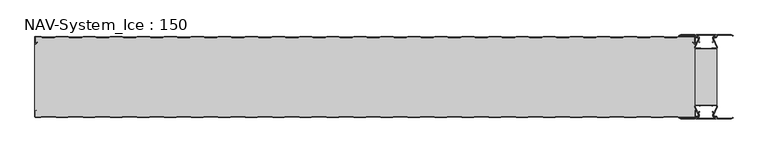
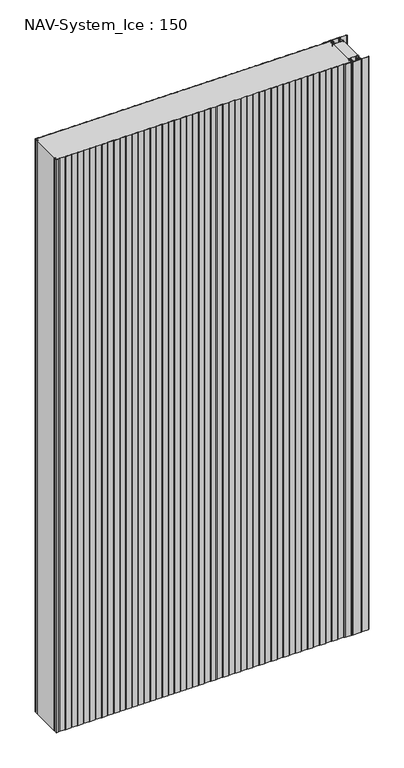
"""IFC4 building model written with IfcOpenShell, lengths in millimetres: plate geometry, NAV-System_Ice : 150."""

from ifc_helpers import new_model, si_unit, point, frame_2d, origin, origin_with_axes, place, context, project, spatial, polyline, circle_curve, trimmed, segment, composite_curve, outline, extrude, source, transform, mapped, element, save


def nav_system_ice_150_1222b947(model_context):
    return source(origin(), model_context, "Body", "SweptSolid", [
        extrude(outline(polyline([(630.0, -126.9693935), (590.0, -126.9693935), (590.0, -23.0306065), (630.0, -23.0306065), (630.0, -126.9693935)])), origin_with_axes(), (0.0, 0.0, 1.0), 2500.0),
        extrude(outline(composite_curve([segment(trimmed(circle_curve(frame_2d((599.1138734, -141.8417863)), 3.357884), [point((596.1169606, -143.3563483))], [point((597.7243711, -138.7848813))], False, "CARTESIAN"), True, "CONTINUOUS"), segment(polyline([(597.7243711, -138.7848813), (598.0554135, -139.5131744)]), True, "CONTINUOUS"), segment(trimmed(circle_curve(frame_2d((599.1138734, -141.8417863)), 2.557884), [point((598.0554135, -139.5131744))], [point((596.8448746, -143.0226397))], True, "CARTESIAN"), True, "CONTINUOUS"), segment(polyline([(596.8448746, -143.0226397), (597.7376807, -145.2182139)]), True, "CONTINUOUS"), segment(trimmed(circle_curve(frame_2d((593.7962884, -146.3456266)), 4.0994674), [point((597.7376807, -145.2182139))], [point((593.7866434, -150.4450826))], False, "CARTESIAN"), True, "CONTINUOUS"), segment(polyline([(593.7866434, -150.4450826), (592.2194901, -150.4092333)]), True, "CONTINUOUS"), segment(trimmed(circle_curve(frame_2d((592.2592624, -151.3027113)), 0.8943628), [point((592.2194901, -150.4092333))], [point((592.2592624, -152.1970741))], True, "CARTESIAN"), True, "CONTINUOUS"), segment(polyline([(592.2592624, -152.1970741), (627.7407376, -152.1970741)]), True, "CONTINUOUS"), segment(trimmed(circle_curve(frame_2d((627.7407376, -151.3027113)), 0.8943628), [point((627.7407376, -152.1970741))], [point((627.7805099, -150.4092333))], True, "CARTESIAN"), True, "CONTINUOUS"), segment(polyline([(627.7805099, -150.4092333), (626.2133566, -150.4450826)]), True, "CONTINUOUS"), segment(trimmed(circle_curve(frame_2d((626.2037116, -146.3456266)), 4.0994674), [point((626.2133566, -150.4450826))], [point((622.2623193, -145.2182139))], False, "CARTESIAN"), True, "CONTINUOUS"), segment(polyline([(622.2623193, -145.2182139), (623.1551254, -143.0226397)]), True, "CONTINUOUS"), segment(trimmed(circle_curve(frame_2d((620.8861266, -141.8417863)), 2.557884), [point((623.1551254, -143.0226397))], [point((621.9445865, -139.5131744))], True, "CARTESIAN"), True, "CONTINUOUS"), segment(polyline([(621.9445865, -139.5131744), (622.2756289, -138.7848813)]), True, "CONTINUOUS"), segment(trimmed(circle_curve(frame_2d((620.8861266, -141.8417863)), 3.357884), [point((622.2756289, -138.7848813))], [point((623.8830394, -143.3563483))], False, "CARTESIAN"), True, "CONTINUOUS"), segment(polyline([(623.8830394, -143.3563483), (623.0205049, -145.4774793)]), True, "CONTINUOUS"), segment(trimmed(circle_curve(frame_2d((626.2037116, -146.3456266)), 3.2994674), [point((623.0205049, -145.4774793))], [point((626.2037116, -149.645094))], True, "CARTESIAN"), True, "CONTINUOUS"), segment(polyline([(626.2037116, -149.645094), (627.7848884, -149.6089239)]), True, "CONTINUOUS"), segment(trimmed(circle_curve(frame_2d((627.7407376, -151.3027113)), 1.6943628), [point((627.7848884, -149.6089239))], [point((627.7407423, -152.9970741))], False, "CARTESIAN"), True, "CONTINUOUS"), segment(polyline([(627.7407423, -152.9970741), (592.2592577, -152.9970741)]), True, "CONTINUOUS"), segment(trimmed(circle_curve(frame_2d((592.2592624, -151.3027113)), 1.6943628), [point((592.2592577, -152.9970741))], [point((592.2151116, -149.6089239))], False, "CARTESIAN"), True, "CONTINUOUS"), segment(polyline([(592.2151116, -149.6089239), (593.7962884, -149.645094)]), True, "CONTINUOUS"), segment(trimmed(circle_curve(frame_2d((593.7962884, -146.3456266)), 3.2994674), [point((593.7962884, -149.645094))], [point((596.9794951, -145.4774793))], True, "CARTESIAN"), True, "CONTINUOUS"), segment(polyline([(596.9794951, -145.4774793), (596.1169606, -143.3563483)]), True, "CONTINUOUS")], self_intersect=False)), origin_with_axes(), (0.0, 0.0, 1.0), 2500.0),
        extrude(outline(composite_curve([segment(polyline([(596.1169606, -6.6436517), (596.9794951, -4.5225207)]), True, "CONTINUOUS"), segment(trimmed(circle_curve(frame_2d((593.7962884, -3.6543734)), 3.2994674), [point((596.9794951, -4.5225207))], [point((593.7962884, -0.354906))], True, "CARTESIAN"), True, "CONTINUOUS"), segment(polyline([(593.7962884, -0.354906), (592.2151116, -0.3910761)]), True, "CONTINUOUS"), segment(trimmed(circle_curve(frame_2d((592.2592624, 1.3027113)), 1.6943628), [point((592.2151116, -0.3910761))], [point((592.2592577, 2.9970741))], False, "CARTESIAN"), True, "CONTINUOUS"), segment(polyline([(592.2592577, 2.9970741), (627.7407423, 2.9970741)]), True, "CONTINUOUS"), segment(trimmed(circle_curve(frame_2d((627.7407376, 1.3027113)), 1.6943628), [point((627.7407423, 2.9970741))], [point((627.7848884, -0.3910761))], False, "CARTESIAN"), True, "CONTINUOUS"), segment(polyline([(627.7848884, -0.3910761), (626.2037116, -0.354906)]), True, "CONTINUOUS"), segment(trimmed(circle_curve(frame_2d((626.2037116, -3.6543734)), 3.2994674), [point((626.2037116, -0.354906))], [point((623.0205049, -4.5225207))], True, "CARTESIAN"), True, "CONTINUOUS"), segment(polyline([(623.0205049, -4.5225207), (623.8830394, -6.6436517)]), True, "CONTINUOUS"), segment(trimmed(circle_curve(frame_2d((620.8861266, -8.1582137)), 3.357884), [point((623.8830394, -6.6436517))], [point((622.2756289, -11.2151187))], False, "CARTESIAN"), True, "CONTINUOUS"), segment(polyline([(622.2756289, -11.2151187), (621.9445865, -10.4868256)]), True, "CONTINUOUS"), segment(trimmed(circle_curve(frame_2d((620.8861266, -8.1582137)), 2.557884), [point((621.9445865, -10.4868256))], [point((623.1551254, -6.9773603))], True, "CARTESIAN"), True, "CONTINUOUS"), segment(polyline([(623.1551254, -6.9773603), (622.2623193, -4.7817861)]), True, "CONTINUOUS"), segment(trimmed(circle_curve(frame_2d((626.2037116, -3.6543734)), 4.0994674), [point((622.2623193, -4.7817861))], [point((626.2133566, 0.4450826))], False, "CARTESIAN"), True, "CONTINUOUS"), segment(polyline([(626.2133566, 0.4450826), (627.7805099, 0.4092333)]), True, "CONTINUOUS"), segment(trimmed(circle_curve(frame_2d((627.7407376, 1.3027113)), 0.8943628), [point((627.7805099, 0.4092333))], [point((627.7407376, 2.1970741))], True, "CARTESIAN"), True, "CONTINUOUS"), segment(polyline([(627.7407376, 2.1970741), (592.2592624, 2.1970741)]), True, "CONTINUOUS"), segment(trimmed(circle_curve(frame_2d((592.2592624, 1.3027113)), 0.8943628), [point((592.2592624, 2.1970741))], [point((592.2194901, 0.4092333))], True, "CARTESIAN"), True, "CONTINUOUS"), segment(polyline([(592.2194901, 0.4092333), (593.7866434, 0.4450826)]), True, "CONTINUOUS"), segment(trimmed(circle_curve(frame_2d((593.7962884, -3.6543734)), 4.0994674), [point((593.7866434, 0.4450826))], [point((597.7376807, -4.7817861))], False, "CARTESIAN"), True, "CONTINUOUS"), segment(polyline([(597.7376807, -4.7817861), (596.8448746, -6.9773603)]), True, "CONTINUOUS"), segment(trimmed(circle_curve(frame_2d((599.1138734, -8.1582137)), 2.557884), [point((596.8448746, -6.9773603))], [point((598.0554135, -10.4868256))], True, "CARTESIAN"), True, "CONTINUOUS"), segment(polyline([(598.0554135, -10.4868256), (597.7243711, -11.2151187)]), True, "CONTINUOUS"), segment(trimmed(circle_curve(frame_2d((599.1138734, -8.1582137)), 3.357884), [point((597.7243711, -11.2151187))], [point((596.1169606, -6.6436517))], False, "CARTESIAN"), True, "CONTINUOUS")], self_intersect=False)), origin_with_axes(), (0.0, 0.0, 1.0), 2500.0),
        extrude(outline(composite_curve([segment(trimmed(circle_curve(frame_2d((591.9446371, -129.7746821)), 1.80576), [point((591.9446371, -127.9689221))], [point((590.2170288, -130.300171))], True, "CARTESIAN"), True, "CONTINUOUS"), segment(polyline([(590.2170288, -130.300171), (596.4690067, -144.9459892)]), True, "CONTINUOUS"), segment(trimmed(circle_curve(frame_2d((593.7254406, -145.9868127)), 2.93436), [point((596.4690067, -144.9459892))], [point((593.7254406, -148.9211727))], False, "CARTESIAN"), True, "CONTINUOUS"), segment(polyline([(593.7254406, -148.9211727), (592.1347887, -148.9211727)]), True, "CONTINUOUS"), segment(trimmed(circle_curve(frame_2d((592.1347887, -150.5012127)), 1.58004), [point((592.1347887, -148.9211727))], [point((590.931072, -149.4776931))], True, "CARTESIAN"), True, "CONTINUOUS"), segment(polyline([(590.931072, -149.4776931), (589.0191946, -153.0112573), (562.9417977, -153.0112573), (560.0, -151.2043676), (560.523373, -150.3522639), (563.2243806, -152.0112573), (588.4232658, -152.0112573), (590.0952671, -148.9210361)]), True, "CONTINUOUS"), segment(trimmed(circle_curve(frame_2d((592.1347887, -150.5012127)), 2.58004), [point((590.0952671, -148.9210361))], [point((592.1347887, -147.9211727))], False, "CARTESIAN"), True, "CONTINUOUS"), segment(polyline([(592.1347887, -147.9211727), (593.7254406, -147.9211727)]), True, "CONTINUOUS"), segment(trimmed(circle_curve(frame_2d((593.7254406, -145.9868127)), 1.93436), [point((593.7254406, -147.9211727))], [point((595.5404425, -145.3178459))], True, "CARTESIAN"), True, "CONTINUOUS"), segment(polyline([(595.5404425, -145.3178459), (589.2784311, -130.6484726)]), True, "CONTINUOUS"), segment(trimmed(circle_curve(frame_2d((591.9446225, -129.7747413)), 2.8057055), [point((589.2784311, -130.6484726))], [point((591.9446225, -126.9690357))], False, "CARTESIAN"), True, "CONTINUOUS"), segment(polyline([(591.9446225, -126.9690357), (595.755568, -126.9690357)]), True, "CONTINUOUS"), segment(trimmed(circle_curve(frame_2d((595.7555679, -129.0975873)), 2.1285516), [point((595.755568, -126.9690357))], [point((597.1042828, -127.4508633))], False, "CARTESIAN"), True, "CONTINUOUS"), segment(trimmed(circle_curve(frame_2d((598.2552034, -126.0456377)), 1.8163913), [point((597.1042828, -127.4508633))], [point((599.4059468, -127.4510085))], True, "CARTESIAN"), True, "CONTINUOUS"), segment(trimmed(circle_curve(frame_2d((600.7543352, -129.0977575)), 2.128364), [point((599.4059468, -127.4510085))], [point((600.7543352, -126.9693935))], False, "CARTESIAN"), True, "CONTINUOUS"), segment(polyline([(600.7543352, -126.9693935), (619.2454674, -126.9693935)]), True, "CONTINUOUS"), segment(trimmed(circle_curve(frame_2d((619.2454674, -129.0977884)), 2.1283949), [point((619.2454674, -126.9693935))], [point((620.594293, -127.4513576))], False, "CARTESIAN"), True, "CONTINUOUS"), segment(trimmed(circle_curve(frame_2d((621.7456338, -126.0459847)), 1.8167715), [point((620.594293, -127.4513576))], [point((622.8963798, -127.4518446))], True, "CARTESIAN"), True, "CONTINUOUS"), segment(trimmed(circle_curve(frame_2d((624.244105, -129.0983528)), 2.1277576), [point((622.8963798, -127.4518446))], [point((624.244105, -126.9705952))], False, "CARTESIAN"), True, "CONTINUOUS"), segment(polyline([(624.244105, -126.9705952), (628.0535675, -126.9705952)]), True, "CONTINUOUS"), segment(trimmed(circle_curve(frame_2d((628.0535675, -129.7787791)), 2.8081839), [point((628.0535675, -126.9705952))], [point((630.7287795, -130.6326746))], False, "CARTESIAN"), True, "CONTINUOUS"), segment(polyline([(630.7287795, -130.6326746), (624.4595575, -145.3178459)]), True, "CONTINUOUS"), segment(trimmed(circle_curve(frame_2d((626.2745595, -145.9868127)), 1.93436), [point((624.4595575, -145.3178459))], [point((626.2745595, -147.9211727))], True, "CARTESIAN"), True, "CONTINUOUS"), segment(polyline([(626.2745595, -147.9211727), (627.8652113, -147.9211727)]), True, "CONTINUOUS"), segment(trimmed(circle_curve(frame_2d((627.8652113, -150.5012127)), 2.58004), [point((627.8652113, -147.9211727))], [point((629.9047329, -148.9210361))], False, "CARTESIAN"), True, "CONTINUOUS"), segment(polyline([(629.9047329, -148.9210361), (631.5767342, -152.0112573), (656.7756194, -152.0112573), (659.476627, -150.3522639), (660.0, -151.2043676), (657.0582024, -153.0112573), (630.9808054, -153.0112573), (629.068928, -149.4776931)]), True, "CONTINUOUS"), segment(trimmed(circle_curve(frame_2d((627.8652113, -150.5012127)), 1.58004), [point((629.068928, -149.4776931))], [point((627.8652113, -148.9211727))], True, "CARTESIAN"), True, "CONTINUOUS"), segment(polyline([(627.8652113, -148.9211727), (626.2745595, -148.9211727)]), True, "CONTINUOUS"), segment(trimmed(circle_curve(frame_2d((626.2745595, -145.9868127)), 2.93436), [point((626.2745595, -148.9211727))], [point((623.5309933, -144.9459892))], False, "CARTESIAN"), True, "CONTINUOUS"), segment(polyline([(623.5309933, -144.9459892), (629.7829713, -130.300171)]), True, "CONTINUOUS"), segment(trimmed(circle_curve(frame_2d((628.0553629, -129.7746822)), 1.80576), [point((629.7829713, -130.300171))], [point((628.0553629, -127.9689222))], True, "CARTESIAN"), True, "CONTINUOUS"), segment(polyline([(628.0553629, -127.9689222), (623.5184731, -127.9689222)]), True, "CONTINUOUS"), segment(trimmed(circle_curve(frame_2d((621.7449981, -126.0455076)), 2.6162449), [point((623.5184731, -127.9689222))], [point((619.7766029, -127.7689222))], False, "CARTESIAN"), True, "CONTINUOUS"), segment(polyline([(619.7766029, -127.7689222), (600.2233971, -127.7689222)]), True, "CONTINUOUS"), segment(trimmed(circle_curve(frame_2d((598.255002, -126.0455076)), 2.6162449), [point((600.2233971, -127.7689222))], [point((596.4815269, -127.9689221))], False, "CARTESIAN"), True, "CONTINUOUS"), segment(polyline([(596.4815269, -127.9689221), (591.9446371, -127.9689221)]), True, "CONTINUOUS")], self_intersect=False)), origin_with_axes(), (0.0, 0.0, 1.0), 2500.0),
        extrude(outline(composite_curve([segment(polyline([(591.9446371, -22.0310778), (596.4815269, -22.0310778)]), True, "CONTINUOUS"), segment(trimmed(circle_curve(frame_2d((598.2550019, -23.9544924)), 2.6162449), [point((596.4815269, -22.0310778))], [point((600.2233971, -22.2310778))], False, "CARTESIAN"), True, "CONTINUOUS"), segment(polyline([(600.2233971, -22.2310778), (619.7766029, -22.2310778)]), True, "CONTINUOUS"), segment(trimmed(circle_curve(frame_2d((621.7449981, -23.9544924)), 2.6162449), [point((619.7766029, -22.2310778))], [point((623.5184731, -22.0310778))], False, "CARTESIAN"), True, "CONTINUOUS"), segment(polyline([(623.5184731, -22.0310778), (628.0553629, -22.0310778)]), True, "CONTINUOUS"), segment(trimmed(circle_curve(frame_2d((628.0553629, -20.2253178)), 1.80576), [point((628.0553629, -22.0310778))], [point((629.7829712, -19.699829))], True, "CARTESIAN"), True, "CONTINUOUS"), segment(polyline([(629.7829712, -19.699829), (623.5309933, -5.0540108)]), True, "CONTINUOUS"), segment(trimmed(circle_curve(frame_2d((626.2745594, -4.0131873)), 2.93436), [point((623.5309933, -5.0540108))], [point((626.2745594, -1.0788273))], False, "CARTESIAN"), True, "CONTINUOUS"), segment(polyline([(626.2745594, -1.0788273), (627.8652113, -1.0788273)]), True, "CONTINUOUS"), segment(trimmed(circle_curve(frame_2d((627.8652113, 0.5012127)), 1.58004), [point((627.8652113, -1.0788273))], [point((629.068928, -0.5223069))], True, "CARTESIAN"), True, "CONTINUOUS"), segment(polyline([(629.068928, -0.5223069), (630.9808054, 3.0112573), (657.0582023, 3.0112573), (660.0, 1.2043676), (659.476627, 0.3522639), (656.7756194, 2.0112573), (631.5767342, 2.0112573), (629.9047329, -1.0789639)]), True, "CONTINUOUS"), segment(trimmed(circle_curve(frame_2d((627.8652113, 0.5012127)), 2.58004), [point((629.9047329, -1.0789639))], [point((627.8652113, -2.0788273))], False, "CARTESIAN"), True, "CONTINUOUS"), segment(polyline([(627.8652113, -2.0788273), (626.2745594, -2.0788273)]), True, "CONTINUOUS"), segment(trimmed(circle_curve(frame_2d((626.2745594, -4.0131873)), 1.93436), [point((626.2745594, -2.0788273))], [point((624.4595575, -4.6821541))], True, "CARTESIAN"), True, "CONTINUOUS"), segment(polyline([(624.4595575, -4.6821541), (630.7287795, -19.3673254)]), True, "CONTINUOUS"), segment(trimmed(circle_curve(frame_2d((628.0535675, -20.2212209)), 2.8081839), [point((630.7287795, -19.3673254))], [point((628.0535675, -23.0294048))], False, "CARTESIAN"), True, "CONTINUOUS"), segment(polyline([(628.0535675, -23.0294048), (624.244105, -23.0294048)]), True, "CONTINUOUS"), segment(trimmed(circle_curve(frame_2d((624.244105, -20.9016472)), 2.1277576), [point((624.244105, -23.0294048))], [point((622.8963798, -22.5481554))], False, "CARTESIAN"), True, "CONTINUOUS"), segment(trimmed(circle_curve(frame_2d((621.7456337, -23.9540153)), 1.8167716), [point((622.8963798, -22.5481554))], [point((620.5942929, -22.5486423))], True, "CARTESIAN"), True, "CONTINUOUS"), segment(trimmed(circle_curve(frame_2d((619.2454674, -20.9022116)), 2.1283949), [point((620.5942929, -22.5486423))], [point((619.2454674, -23.0306065))], False, "CARTESIAN"), True, "CONTINUOUS"), segment(polyline([(619.2454674, -23.0306065), (600.7543352, -23.0306065)]), True, "CONTINUOUS"), segment(trimmed(circle_curve(frame_2d((600.7543352, -20.9022425)), 2.128364), [point((600.7543352, -23.0306065))], [point((599.4059468, -22.5489915))], False, "CARTESIAN"), True, "CONTINUOUS"), segment(trimmed(circle_curve(frame_2d((598.2552034, -23.9543623)), 1.8163912), [point((599.4059468, -22.5489915))], [point((597.1042828, -22.5491367))], True, "CARTESIAN"), True, "CONTINUOUS"), segment(trimmed(circle_curve(frame_2d((595.7555679, -20.9024127)), 2.1285516), [point((597.1042828, -22.5491367))], [point((595.7555679, -23.0309643))], False, "CARTESIAN"), True, "CONTINUOUS"), segment(polyline([(595.7555679, -23.0309643), (591.9446225, -23.0309643)]), True, "CONTINUOUS"), segment(trimmed(circle_curve(frame_2d((591.9446225, -20.2252587)), 2.8057055), [point((591.9446225, -23.0309643))], [point((589.2784311, -19.3515274))], False, "CARTESIAN"), True, "CONTINUOUS"), segment(polyline([(589.2784311, -19.3515274), (595.5404425, -4.6821541)]), True, "CONTINUOUS"), segment(trimmed(circle_curve(frame_2d((593.7254406, -4.0131873)), 1.93436), [point((595.5404425, -4.6821541))], [point((593.7254406, -2.0788273))], True, "CARTESIAN"), True, "CONTINUOUS"), segment(polyline([(593.7254406, -2.0788273), (592.1347887, -2.0788273)]), True, "CONTINUOUS"), segment(trimmed(circle_curve(frame_2d((592.1347887, 0.5012127)), 2.58004), [point((592.1347887, -2.0788273))], [point((590.0952671, -1.0789639))], False, "CARTESIAN"), True, "CONTINUOUS"), segment(polyline([(590.0952671, -1.0789639), (588.4232658, 2.0112573), (563.2243806, 2.0112573), (560.523373, 0.3522639), (560.0, 1.2043676), (562.9417977, 3.0112573), (589.0191946, 3.0112573), (590.931072, -0.5223069)]), True, "CONTINUOUS"), segment(trimmed(circle_curve(frame_2d((592.1347887, 0.5012127)), 1.58004), [point((590.931072, -0.5223069))], [point((592.1347887, -1.0788273))], True, "CARTESIAN"), True, "CONTINUOUS"), segment(polyline([(592.1347887, -1.0788273), (593.7254406, -1.0788273)]), True, "CONTINUOUS"), segment(trimmed(circle_curve(frame_2d((593.7254406, -4.0131873)), 2.93436), [point((593.7254406, -1.0788273))], [point((596.4690067, -5.0540108))], False, "CARTESIAN"), True, "CONTINUOUS"), segment(polyline([(596.4690067, -5.0540108), (590.2170288, -19.699829)]), True, "CONTINUOUS"), segment(trimmed(circle_curve(frame_2d((591.9446371, -20.2253178)), 1.80576), [point((590.2170288, -19.699829))], [point((591.9446371, -22.0310778))], True, "CARTESIAN"), True, "CONTINUOUS")], self_intersect=False)), origin_with_axes(), (0.0, 0.0, 1.0), 2500.0),
        extrude(outline(composite_curve([segment(polyline([(559.1298221, -0.8), (556.1298221, -1.8), (533.8701779, -1.8), (530.8701779, -0.8), (509.1298221, -0.8), (506.1298221, -1.8), (483.8701779, -1.8), (480.8701779, -0.8), (459.1298221, -0.8), (456.1298221, -1.8), (433.8701779, -1.8), (430.8701779, -0.8), (409.1298221, -0.8), (406.1298221, -1.8), (383.8701779, -1.8), (380.8701779, -0.8), (359.1298221, -0.8), (356.1298221, -1.8), (333.8701779, -1.8), (330.8701779, -0.8), (309.1298221, -0.8), (306.1298221, -1.8), (283.8701779, -1.8), (280.8701779, -0.8), (259.1298221, -0.8), (256.1298221, -1.8), (233.8701779, -1.8), (230.8701779, -0.8), (209.1298221, -0.8), (206.1298221, -1.8), (183.8701779, -1.8), (180.8701779, -0.8), (159.1298221, -0.8), (156.1298221, -1.8), (133.8701779, -1.8), (130.8701779, -0.8), (109.1298221, -0.8), (106.1298221, -1.8), (83.8701779, -1.8), (80.8701779, -0.8), (59.1298221, -0.8), (56.1298221, -1.8), (33.8701779, -1.8), (30.8701779, -0.8), (9.1298221, -0.8), (6.1298221, -1.8), (-16.1298221, -1.8), (-19.1298221, -0.8), (-40.8701779, -0.8), (-43.8701779, -1.8), (-66.1298221, -1.8), (-69.1298221, -0.8), (-90.8701779, -0.8), (-93.8701779, -1.8), (-116.1298221, -1.8), (-119.1298221, -0.8), (-140.8701779, -0.8), (-143.8701779, -1.8), (-166.1298221, -1.8), (-169.1298221, -0.8), (-190.8701779, -0.8), (-193.8701779, -1.8), (-216.1298221, -1.8), (-219.1298221, -0.8), (-240.8701779, -0.8), (-243.8701779, -1.8), (-266.1298221, -1.8), (-269.1298221, -0.8), (-290.8701779, -0.8), (-293.8701779, -1.8), (-316.1298221, -1.8), (-319.1298221, -0.8), (-340.8701779, -0.8), (-343.8701779, -1.8), (-366.1298221, -1.8), (-369.1298221, -0.8), (-390.8701779, -0.8), (-393.8701779, -1.8), (-416.1298221, -1.8), (-419.1298221, -0.8), (-440.8701779, -0.8), (-443.8701779, -1.8), (-466.1298221, -1.8), (-469.1298221, -0.8), (-490.8701779, -0.8), (-493.8701779, -1.8), (-516.1298221, -1.8), (-519.1298221, -0.8), (-540.8701779, -0.8), (-543.8701779, -1.8), (-566.1298221, -1.8), (-569.1298221, -0.8), (-590.8701779, -0.8), (-593.8701779, -1.8), (-616.1298221, -1.8), (-619.1298221, -0.8), (-628.7, -0.8)]), True, "CONTINUOUS"), segment(trimmed(circle_curve(frame_2d((-628.7, -1.3)), 0.5), [point((-628.7, -0.8))], [point((-629.2, -1.3))], True, "CARTESIAN"), True, "CONTINUOUS"), segment(polyline([(-629.2, -1.3), (-629.2, -12.5857864)]), True, "CONTINUOUS"), segment(trimmed(circle_curve(frame_2d((-628.7, -12.5857864)), 0.5), [point((-629.2, -12.5857864))], [point((-628.3464466, -12.9393398))], True, "CARTESIAN"), True, "CONTINUOUS"), segment(polyline([(-628.3464466, -12.9393398), (-625.9205321, -10.5134253), (-625.3548467, -11.0791108), (-627.7807612, -13.5050253)]), True, "CONTINUOUS"), segment(trimmed(circle_curve(frame_2d((-628.7, -12.5857864)), 1.3), [point((-627.7807612, -13.5050253))], [point((-630.0, -12.5857864))], False, "CARTESIAN"), True, "CONTINUOUS"), segment(polyline([(-630.0, -12.5857864), (-630.0, -1.3)]), True, "CONTINUOUS"), segment(trimmed(circle_curve(frame_2d((-628.7, -1.3)), 1.3), [point((-630.0, -1.3))], [point((-628.7, 0.0))], False, "CARTESIAN"), True, "CONTINUOUS"), segment(polyline([(-628.7, 0.0), (-619.0, 0.0), (-616.0, -1.0), (-594.0, -1.0), (-591.0, 0.0), (-569.0, 0.0), (-566.0, -1.0), (-544.0, -1.0), (-541.0, 0.0), (-519.0, 0.0), (-516.0, -1.0), (-494.0, -1.0), (-491.0, 0.0), (-469.0, 0.0), (-466.0, -1.0), (-444.0, -1.0), (-441.0, 0.0), (-419.0, 0.0), (-416.0, -1.0), (-394.0, -1.0), (-391.0, 0.0), (-369.0, 0.0), (-366.0, -1.0), (-344.0, -1.0), (-341.0, 0.0), (-319.0, 0.0), (-316.0, -1.0), (-294.0, -1.0), (-291.0, 0.0), (-269.0, 0.0), (-266.0, -1.0), (-244.0, -1.0), (-241.0, 0.0), (-219.0, 0.0), (-216.0, -1.0), (-194.0, -1.0), (-191.0, 0.0), (-169.0, 0.0), (-166.0, -1.0), (-144.0, -1.0), (-141.0, 0.0), (-119.0, 0.0), (-116.0, -1.0), (-94.0, -1.0), (-91.0, 0.0), (-69.0, 0.0), (-66.0, -1.0), (-44.0, -1.0), (-41.0, 0.0), (-19.0, 0.0), (-16.0, -1.0), (6.0, -1.0), (9.0, 0.0), (31.0, 0.0), (34.0, -1.0), (56.0, -1.0), (59.0, 0.0), (81.0, 0.0), (84.0, -1.0), (106.0, -1.0), (109.0, 0.0), (131.0, 0.0), (134.0, -1.0), (156.0, -1.0), (159.0, 0.0), (181.0, 0.0), (184.0, -1.0), (206.0, -1.0), (209.0, 0.0), (231.0, 0.0), (234.0, -1.0), (256.0, -1.0), (259.0, 0.0), (281.0, 0.0), (284.0, -1.0), (306.0, -1.0), (309.0, 0.0), (331.0, 0.0), (334.0, -1.0), (356.0, -1.0), (359.0, 0.0), (381.0, 0.0), (384.0, -1.0), (406.0, -1.0), (409.0, 0.0), (431.0, 0.0), (434.0, -1.0), (456.0, -1.0), (459.0, 0.0), (481.0, 0.0), (484.0, -1.0), (506.0, -1.0), (509.0, 0.0), (531.0, 0.0), (534.0, -1.0), (556.0, -1.0), (559.0, 0.0), (588.7, 0.0)]), True, "CONTINUOUS"), segment(trimmed(circle_curve(frame_2d((588.7, -1.3)), 1.3), [point((588.7, 0.0))], [point((590.0, -1.3))], False, "CARTESIAN"), True, "CONTINUOUS"), segment(polyline([(590.0, -1.3), (590.0, -12.5857864)]), True, "CONTINUOUS"), segment(trimmed(circle_curve(frame_2d((588.7, -12.5857864)), 1.3), [point((590.0, -12.5857864))], [point((587.7807612, -13.5050253))], False, "CARTESIAN"), True, "CONTINUOUS"), segment(polyline([(587.7807612, -13.5050253), (585.3548467, -11.0791108), (585.9205321, -10.5134253), (588.3464466, -12.9393398)]), True, "CONTINUOUS"), segment(trimmed(circle_curve(frame_2d((588.7, -12.5857864)), 0.5), [point((588.3464466, -12.9393398))], [point((589.2, -12.5857864))], True, "CARTESIAN"), True, "CONTINUOUS"), segment(polyline([(589.2, -12.5857864), (589.2, -1.3)]), True, "CONTINUOUS"), segment(trimmed(circle_curve(frame_2d((588.7, -1.3)), 0.5), [point((589.2, -1.3))], [point((588.7, -0.8))], True, "CARTESIAN"), True, "CONTINUOUS"), segment(polyline([(588.7, -0.8), (559.1298221, -0.8)]), True, "CONTINUOUS")], self_intersect=False)), origin_with_axes(), (0.0, 0.0, 1.0), 2500.0),
        extrude(outline(composite_curve([segment(polyline([(559.1298221, -0.8), (588.7, -0.8)]), True, "CONTINUOUS"), segment(trimmed(circle_curve(frame_2d((588.7, -1.3)), 0.5), [point((588.7, -0.8))], [point((589.2, -1.3))], False, "CARTESIAN"), True, "CONTINUOUS"), segment(polyline([(589.2, -1.3), (589.2, -12.5857864)]), True, "CONTINUOUS"), segment(trimmed(circle_curve(frame_2d((588.7, -12.5857864)), 0.5), [point((589.2, -12.5857864))], [point((588.3464466, -12.9393398))], False, "CARTESIAN"), True, "CONTINUOUS"), segment(polyline([(588.3464466, -12.9393398), (585.9205321, -10.5134253), (585.3548467, -11.0791108), (587.7807612, -13.5050253)]), True, "CONTINUOUS"), segment(trimmed(circle_curve(frame_2d((588.7, -12.5857864)), 1.3), [point((587.7807612, -13.5050253))], [point((588.7, -13.8857864))], True, "CARTESIAN"), True, "CONTINUOUS"), segment(polyline([(588.7, -13.8857864), (590.0, -13.8857864), (590.0, -136.1142136), (588.7, -136.1142136)]), True, "CONTINUOUS"), segment(trimmed(circle_curve(frame_2d((588.7, -137.4142136)), 1.3), [point((588.7, -136.1142136))], [point((587.7807612, -136.4949747))], True, "CARTESIAN"), True, "CONTINUOUS"), segment(polyline([(587.7807612, -136.4949747), (585.3548467, -138.9208892), (585.9205321, -139.4865747), (588.3464466, -137.0606602)]), True, "CONTINUOUS"), segment(trimmed(circle_curve(frame_2d((588.7, -137.4142136)), 0.5), [point((588.3464466, -137.0606602))], [point((589.2, -137.4142136))], False, "CARTESIAN"), True, "CONTINUOUS"), segment(polyline([(589.2, -137.4142136), (589.2, -148.7)]), True, "CONTINUOUS"), segment(trimmed(circle_curve(frame_2d((588.7, -148.7)), 0.5), [point((589.2, -148.7))], [point((588.7, -149.2))], False, "CARTESIAN"), True, "CONTINUOUS"), segment(polyline([(588.7, -149.2), (559.1298221, -149.2), (556.1298221, -148.2), (533.8701779, -148.2), (530.8701779, -149.2), (509.1298221, -149.2), (506.1298221, -148.2), (483.8701779, -148.2), (480.8701779, -149.2), (459.1298221, -149.2), (456.1298221, -148.2), (433.8701779, -148.2), (430.8701779, -149.2), (409.1298221, -149.2), (406.1298221, -148.2), (383.8701779, -148.2), (380.8701779, -149.2), (359.1298221, -149.2), (356.1298221, -148.2), (333.8701779, -148.2), (330.8701779, -149.2), (309.1298221, -149.2), (306.1298221, -148.2), (283.8701779, -148.2), (280.8701779, -149.2), (259.1298221, -149.2), (256.1298221, -148.2), (233.8701779, -148.2), (230.8701779, -149.2), (209.1298221, -149.2), (206.1298221, -148.2), (183.8701779, -148.2), (180.8701779, -149.2), (159.1298221, -149.2), (156.1298221, -148.2), (133.8701779, -148.2), (130.8701779, -149.2), (109.1298221, -149.2), (106.1298221, -148.2), (83.8701779, -148.2), (80.8701779, -149.2), (59.1298221, -149.2), (56.1298221, -148.2), (33.8701779, -148.2), (30.8701779, -149.2), (9.1298221, -149.2), (6.1298221, -148.2), (-16.1298221, -148.2), (-19.1298221, -149.2), (-40.8701779, -149.2), (-43.8701779, -148.2), (-66.1298221, -148.2), (-69.1298221, -149.2), (-90.8701779, -149.2), (-93.8701779, -148.2), (-116.1298221, -148.2), (-119.1298221, -149.2), (-140.8701779, -149.2), (-143.8701779, -148.2), (-166.1298221, -148.2), (-169.1298221, -149.2), (-190.8701779, -149.2), (-193.8701779, -148.2), (-216.1298221, -148.2), (-219.1298221, -149.2), (-240.8701779, -149.2), (-243.8701779, -148.2), (-266.1298221, -148.2), (-269.1298221, -149.2), (-290.8701779, -149.2), (-293.8701779, -148.2), (-316.1298221, -148.2), (-319.1298221, -149.2), (-340.8701779, -149.2), (-343.8701779, -148.2), (-366.1298221, -148.2), (-369.1298221, -149.2), (-390.8701779, -149.2), (-393.8701779, -148.2), (-416.1298221, -148.2), (-419.1298221, -149.2), (-440.8701779, -149.2), (-443.8701779, -148.2), (-466.1298221, -148.2), (-469.1298221, -149.2), (-490.8701779, -149.2), (-493.8701779, -148.2), (-516.1298221, -148.2), (-519.1298221, -149.2), (-540.8701779, -149.2), (-543.8701779, -148.2), (-566.1298221, -148.2), (-569.1298221, -149.2), (-590.8701779, -149.2), (-593.8701779, -148.2), (-616.1298221, -148.2), (-619.1298221, -149.2), (-628.7, -149.2)]), True, "CONTINUOUS"), segment(trimmed(circle_curve(frame_2d((-628.7, -148.7)), 0.5), [point((-628.7, -149.2))], [point((-629.2, -148.7))], False, "CARTESIAN"), True, "CONTINUOUS"), segment(polyline([(-629.2, -148.7), (-629.2, -137.4142136)]), True, "CONTINUOUS"), segment(trimmed(circle_curve(frame_2d((-628.7, -137.4142136)), 0.5), [point((-629.2, -137.4142136))], [point((-628.3464466, -137.0606602))], False, "CARTESIAN"), True, "CONTINUOUS"), segment(polyline([(-628.3464466, -137.0606602), (-625.9205321, -139.4865747), (-625.3548467, -138.9208892), (-627.7807612, -136.4949747)]), True, "CONTINUOUS"), segment(trimmed(circle_curve(frame_2d((-628.7, -137.4142136)), 1.3), [point((-627.7807612, -136.4949747))], [point((-628.7, -136.1142136))], True, "CARTESIAN"), True, "CONTINUOUS"), segment(polyline([(-628.7, -136.1142136), (-630.0, -136.1142136), (-630.0, -13.8857864), (-628.7, -13.8857864)]), True, "CONTINUOUS"), segment(trimmed(circle_curve(frame_2d((-628.7, -12.5857864)), 1.3), [point((-628.7, -13.8857864))], [point((-627.7807612, -13.5050253))], True, "CARTESIAN"), True, "CONTINUOUS"), segment(polyline([(-627.7807612, -13.5050253), (-625.3548467, -11.0791108), (-625.9205321, -10.5134253), (-628.3464466, -12.9393398)]), True, "CONTINUOUS"), segment(trimmed(circle_curve(frame_2d((-628.7, -12.5857864)), 0.5), [point((-628.3464466, -12.9393398))], [point((-629.2, -12.5857864))], False, "CARTESIAN"), True, "CONTINUOUS"), segment(polyline([(-629.2, -12.5857864), (-629.2, -1.3)]), True, "CONTINUOUS"), segment(trimmed(circle_curve(frame_2d((-628.7, -1.3)), 0.5), [point((-629.2, -1.3))], [point((-628.7, -0.8))], False, "CARTESIAN"), True, "CONTINUOUS"), segment(polyline([(-628.7, -0.8), (-619.1298221, -0.8), (-616.1298221, -1.8), (-593.8701779, -1.8), (-590.8701779, -0.8), (-569.1298221, -0.8), (-566.1298221, -1.8), (-543.8701779, -1.8), (-540.8701779, -0.8), (-519.1298221, -0.8), (-516.1298221, -1.8), (-493.8701779, -1.8), (-490.8701779, -0.8), (-469.1298221, -0.8), (-466.1298221, -1.8), (-443.8701779, -1.8), (-440.8701779, -0.8), (-419.1298221, -0.8), (-416.1298221, -1.8), (-393.8701779, -1.8), (-390.8701779, -0.8), (-369.1298221, -0.8), (-366.1298221, -1.8), (-343.8701779, -1.8), (-340.8701779, -0.8), (-319.1298221, -0.8), (-316.1298221, -1.8), (-293.8701779, -1.8), (-290.8701779, -0.8), (-269.1298221, -0.8), (-266.1298221, -1.8), (-243.8701779, -1.8), (-240.8701779, -0.8), (-219.1298221, -0.8), (-216.1298221, -1.8), (-193.8701779, -1.8), (-190.8701779, -0.8), (-169.1298221, -0.8), (-166.1298221, -1.8), (-143.8701779, -1.8), (-140.8701779, -0.8), (-119.1298221, -0.8), (-116.1298221, -1.8), (-93.8701779, -1.8), (-90.8701779, -0.8), (-69.1298221, -0.8), (-66.1298221, -1.8), (-43.8701779, -1.8), (-40.8701779, -0.8), (-19.1298221, -0.8), (-16.1298221, -1.8), (6.1298221, -1.8), (9.1298221, -0.8), (30.8701779, -0.8), (33.8701779, -1.8), (56.1298221, -1.8), (59.1298221, -0.8), (80.8701779, -0.8), (83.8701779, -1.8), (106.1298221, -1.8), (109.1298221, -0.8), (130.8701779, -0.8), (133.8701779, -1.8), (156.1298221, -1.8), (159.1298221, -0.8), (180.8701779, -0.8), (183.8701779, -1.8), (206.1298221, -1.8), (209.1298221, -0.8), (230.8701779, -0.8), (233.8701779, -1.8), (256.1298221, -1.8), (259.1298221, -0.8), (280.8701779, -0.8), (283.8701779, -1.8), (306.1298221, -1.8), (309.1298221, -0.8), (330.8701779, -0.8), (333.8701779, -1.8), (356.1298221, -1.8), (359.1298221, -0.8), (380.8701779, -0.8), (383.8701779, -1.8), (406.1298221, -1.8), (409.1298221, -0.8), (430.8701779, -0.8), (433.8701779, -1.8), (456.1298221, -1.8), (459.1298221, -0.8), (480.8701779, -0.8), (483.8701779, -1.8), (506.1298221, -1.8), (509.1298221, -0.8), (530.8701779, -0.8), (533.8701779, -1.8), (556.1298221, -1.8), (559.1298221, -0.8)]), True, "CONTINUOUS")], self_intersect=False)), origin_with_axes(), (0.0, 0.0, 1.0), 2500.0),
        extrude(outline(composite_curve([segment(polyline([(559.1298221, -149.2), (588.7, -149.2)]), True, "CONTINUOUS"), segment(trimmed(circle_curve(frame_2d((588.7, -148.7)), 0.5), [point((588.7, -149.2))], [point((589.2, -148.7))], True, "CARTESIAN"), True, "CONTINUOUS"), segment(polyline([(589.2, -148.7), (589.2, -137.4142136)]), True, "CONTINUOUS"), segment(trimmed(circle_curve(frame_2d((588.7, -137.4142136)), 0.5), [point((589.2, -137.4142136))], [point((588.3464466, -137.0606602))], True, "CARTESIAN"), True, "CONTINUOUS"), segment(polyline([(588.3464466, -137.0606602), (585.9205321, -139.4865747), (585.3548467, -138.9208892), (587.7807612, -136.4949747)]), True, "CONTINUOUS"), segment(trimmed(circle_curve(frame_2d((588.7, -137.4142136)), 1.3), [point((587.7807612, -136.4949747))], [point((590.0, -137.4142136))], False, "CARTESIAN"), True, "CONTINUOUS"), segment(polyline([(590.0, -137.4142136), (590.0, -148.7)]), True, "CONTINUOUS"), segment(trimmed(circle_curve(frame_2d((588.7, -148.7)), 1.3), [point((590.0, -148.7))], [point((588.7, -150.0))], False, "CARTESIAN"), True, "CONTINUOUS"), segment(polyline([(588.7, -150.0), (559.0, -150.0), (556.0, -149.0), (534.0, -149.0), (531.0, -150.0), (509.0, -150.0), (506.0, -149.0), (484.0, -149.0), (481.0, -150.0), (459.0, -150.0), (456.0, -149.0), (434.0, -149.0), (431.0, -150.0), (409.0, -150.0), (406.0, -149.0), (384.0, -149.0), (381.0, -150.0), (359.0, -150.0), (356.0, -149.0), (334.0, -149.0), (331.0, -150.0), (309.0, -150.0), (306.0, -149.0), (284.0, -149.0), (281.0, -150.0), (259.0, -150.0), (256.0, -149.0), (234.0, -149.0), (231.0, -150.0), (209.0, -150.0), (206.0, -149.0), (184.0, -149.0), (181.0, -150.0), (159.0, -150.0), (156.0, -149.0), (134.0, -149.0), (131.0, -150.0), (109.0, -150.0), (106.0, -149.0), (84.0, -149.0), (81.0, -150.0), (59.0, -150.0), (56.0, -149.0), (34.0, -149.0), (31.0, -150.0), (9.0, -150.0), (6.0, -149.0), (-16.0, -149.0), (-19.0, -150.0), (-41.0, -150.0), (-44.0, -149.0), (-66.0, -149.0), (-69.0, -150.0), (-91.0, -150.0), (-94.0, -149.0), (-116.0, -149.0), (-119.0, -150.0), (-141.0, -150.0), (-144.0, -149.0), (-166.0, -149.0), (-169.0, -150.0), (-191.0, -150.0), (-194.0, -149.0), (-216.0, -149.0), (-219.0, -150.0), (-241.0, -150.0), (-244.0, -149.0), (-266.0, -149.0), (-269.0, -150.0), (-291.0, -150.0), (-294.0, -149.0), (-316.0, -149.0), (-319.0, -150.0), (-341.0, -150.0), (-344.0, -149.0), (-366.0, -149.0), (-369.0, -150.0), (-391.0, -150.0), (-394.0, -149.0), (-416.0, -149.0), (-419.0, -150.0), (-441.0, -150.0), (-444.0, -149.0), (-466.0, -149.0), (-469.0, -150.0), (-491.0, -150.0), (-494.0, -149.0), (-516.0, -149.0), (-519.0, -150.0), (-541.0, -150.0), (-544.0, -149.0), (-566.0, -149.0), (-569.0, -150.0), (-591.0, -150.0), (-594.0, -149.0), (-616.0, -149.0), (-619.0, -150.0), (-628.7, -150.0)]), True, "CONTINUOUS"), segment(trimmed(circle_curve(frame_2d((-628.7, -148.7)), 1.3), [point((-628.7, -150.0))], [point((-630.0, -148.7))], False, "CARTESIAN"), True, "CONTINUOUS"), segment(polyline([(-630.0, -148.7), (-630.0, -137.4142136)]), True, "CONTINUOUS"), segment(trimmed(circle_curve(frame_2d((-628.7, -137.4142136)), 1.3), [point((-630.0, -137.4142136))], [point((-627.7807612, -136.4949747))], False, "CARTESIAN"), True, "CONTINUOUS"), segment(polyline([(-627.7807612, -136.4949747), (-625.3548467, -138.9208892), (-625.9205321, -139.4865747), (-628.3464466, -137.0606602)]), True, "CONTINUOUS"), segment(trimmed(circle_curve(frame_2d((-628.7, -137.4142136)), 0.5), [point((-628.3464466, -137.0606602))], [point((-629.2, -137.4142136))], True, "CARTESIAN"), True, "CONTINUOUS"), segment(polyline([(-629.2, -137.4142136), (-629.2, -148.7)]), True, "CONTINUOUS"), segment(trimmed(circle_curve(frame_2d((-628.7, -148.7)), 0.5), [point((-629.2, -148.7))], [point((-628.7, -149.2))], True, "CARTESIAN"), True, "CONTINUOUS"), segment(polyline([(-628.7, -149.2), (-619.1298221, -149.2), (-616.1298221, -148.2), (-593.8701779, -148.2), (-590.8701779, -149.2), (-569.1298221, -149.2), (-566.1298221, -148.2), (-543.8701779, -148.2), (-540.8701779, -149.2), (-519.1298221, -149.2), (-516.1298221, -148.2), (-493.8701779, -148.2), (-490.8701779, -149.2), (-469.1298221, -149.2), (-466.1298221, -148.2), (-443.8701779, -148.2), (-440.8701779, -149.2), (-419.1298221, -149.2), (-416.1298221, -148.2), (-393.8701779, -148.2), (-390.8701779, -149.2), (-369.1298221, -149.2), (-366.1298221, -148.2), (-343.8701779, -148.2), (-340.8701779, -149.2), (-319.1298221, -149.2), (-316.1298221, -148.2), (-293.8701779, -148.2), (-290.8701779, -149.2), (-269.1298221, -149.2), (-266.1298221, -148.2), (-243.8701779, -148.2), (-240.8701779, -149.2), (-219.1298221, -149.2), (-216.1298221, -148.2), (-193.8701779, -148.2), (-190.8701779, -149.2), (-169.1298221, -149.2), (-166.1298221, -148.2), (-143.8701779, -148.2), (-140.8701779, -149.2), (-119.1298221, -149.2), (-116.1298221, -148.2), (-93.8701779, -148.2), (-90.8701779, -149.2), (-69.1298221, -149.2), (-66.1298221, -148.2), (-43.8701779, -148.2), (-40.8701779, -149.2), (-19.1298221, -149.2), (-16.1298221, -148.2), (6.1298221, -148.2), (9.1298221, -149.2), (30.8701779, -149.2), (33.8701779, -148.2), (56.1298221, -148.2), (59.1298221, -149.2), (80.8701779, -149.2), (83.8701779, -148.2), (106.1298221, -148.2), (109.1298221, -149.2), (130.8701779, -149.2), (133.8701779, -148.2), (156.1298221, -148.2), (159.1298221, -149.2), (180.8701779, -149.2), (183.8701779, -148.2), (206.1298221, -148.2), (209.1298221, -149.2), (230.8701779, -149.2), (233.8701779, -148.2), (256.1298221, -148.2), (259.1298221, -149.2), (280.8701779, -149.2), (283.8701779, -148.2), (306.1298221, -148.2), (309.1298221, -149.2), (330.8701779, -149.2), (333.8701779, -148.2), (356.1298221, -148.2), (359.1298221, -149.2), (380.8701779, -149.2), (383.8701779, -148.2), (406.1298221, -148.2), (409.1298221, -149.2), (430.8701779, -149.2), (433.8701779, -148.2), (456.1298221, -148.2), (459.1298221, -149.2), (480.8701779, -149.2), (483.8701779, -148.2), (506.1298221, -148.2), (509.1298221, -149.2), (530.8701779, -149.2), (533.8701779, -148.2), (556.1298221, -148.2), (559.1298221, -149.2)]), True, "CONTINUOUS")], self_intersect=False)), origin_with_axes(), (0.0, 0.0, 1.0), 2500.0),
    ])


if __name__ == "__main__":
    model = new_model("IFC4")
    model_context = context("Model", 3, world=origin())
    ifc_project = project(units=[si_unit("LENGTHUNIT", "METRE", prefix="MILLI")], contexts=[model_context])
    site = spatial("IfcSite", under=ifc_project)
    building = spatial("IfcBuilding", under=site)
    placement = place(None, origin())
    nav_system_ice_150_shape = nav_system_ice_150_1222b947(model_context)
    element("IfcPlate", 1, ObjectType="NAV-System_Ice : 150", at=placement, inside=building, context=model_context, shape_type="MappedRepresentation", body=[
        mapped(nav_system_ice_150_shape, transform((0.0, 0.0, 0.0), x_axis=(1.0, 0.0, 0.0), y_axis=(0.0, 1.0, 0.0), z_axis=(0.0, 0.0, 1.0))),
    ])
    save(model, "model.ifc")
